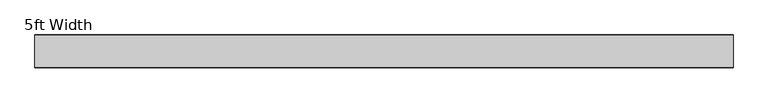
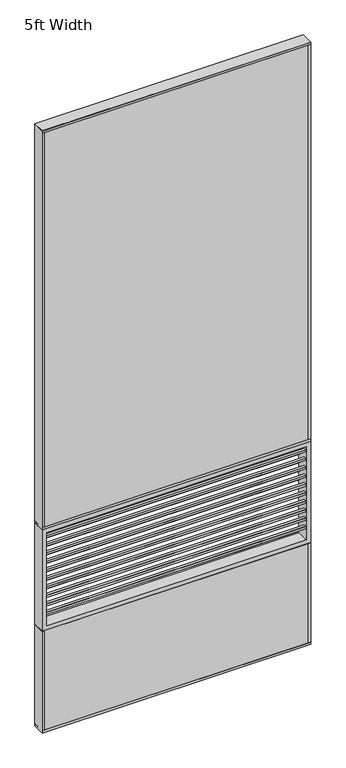
"""IFC4 building model written with IfcOpenShell, lengths in millimetres: plate geometry, 5ft Width."""

from ifc_helpers import new_model, si_unit, frame, origin, origin_with_axes, place, context, project, spatial, polyline, outline, extrude, source, transform, mapped, element, save


def plate_5ft_width_586c6ecd(model_context):
    return source(origin(), model_context, "Body", "SweptSolid", [
        extrude(outline(polyline([(32.925, 698.8386667), (30.925, 698.8386667), (-30.925, 760.6886667), (-30.925, 751.8945411), (-32.925, 751.8945411), (-32.925, 765.8945411), (-18.925, 765.8945411), (-18.925, 763.8945411), (-31.3024473, 763.8945411), (30.9282899, 701.6638039), (30.9282899, 719.8386667), (32.925, 719.8386667), (32.925, 698.8386667)])), frame((-736.6, 0.0, 0.0), z_axis=(1.0, 0.0, 0.0), x_axis=(0.0, 1.0, 0.0)), (0.0, 0.0, 1.0), 1473.2),
        extrude(outline(polyline([(32.925, 749.9773333), (30.925, 749.9773333), (-30.925, 811.8273333), (-30.925, 803.0332078), (-32.925, 803.0332078), (-32.925, 817.0332078), (-18.925, 817.0332078), (-18.925, 815.0332078), (-31.3024473, 815.0332078), (30.9282899, 752.8024706), (30.9282899, 770.9773333), (32.925, 770.9773333), (32.925, 749.9773333)])), frame((-736.6, 0.0, 0.0), z_axis=(1.0, 0.0, 0.0), x_axis=(0.0, 1.0, 0.0)), (0.0, 0.0, 1.0), 1473.2),
        extrude(outline(polyline([(762.0, 34.925), (762.0, -34.925), (-762.0, -34.925), (-762.0, 34.925), (762.0, 34.925)])), frame((0.0, 0.0, 1219.2), z_axis=(0.0, 0.0, 1.0), x_axis=(1.0, 0.0, 0.0)), (0.0, 0.0, 1.0), 2393.95),
        extrude(outline(polyline([(762.0, 34.925), (762.0, -34.925), (-762.0, -34.925), (-762.0, 34.925), (762.0, 34.925)])), origin_with_axes(), (0.0, 0.0, 1.0), 609.6),
        extrude(outline(polyline([(32.925, 801.116), (30.925, 801.116), (-30.925, 862.966), (-30.925, 854.1718744), (-32.925, 854.1718744), (-32.925, 868.1718744), (-18.925, 868.1718744), (-18.925, 866.1718744), (-31.3024473, 866.1718744), (30.9282899, 803.9411372), (30.9282899, 822.116), (32.925, 822.116), (32.925, 801.116)])), frame((-736.6, 0.0, 0.0), z_axis=(1.0, 0.0, 0.0), x_axis=(0.0, 1.0, 0.0)), (0.0, 0.0, 1.0), 1473.2),
        extrude(outline(polyline([(32.925, 852.2546667), (30.925, 852.2546667), (-30.925, 914.1046667), (-30.925, 905.3105411), (-32.925, 905.3105411), (-32.925, 919.3105411), (-18.925, 919.3105411), (-18.925, 917.3105411), (-31.3024473, 917.3105411), (30.9282899, 855.0798039), (30.9282899, 873.2546667), (32.925, 873.2546667), (32.925, 852.2546667)])), frame((-736.6, 0.0, 0.0), z_axis=(1.0, 0.0, 0.0), x_axis=(0.0, 1.0, 0.0)), (0.0, 0.0, 1.0), 1473.2),
        extrude(outline(polyline([(32.925, 903.3933333), (30.925, 903.3933333), (-30.925, 965.2433333), (-30.925, 956.4492078), (-32.925, 956.4492078), (-32.925, 970.4492078), (-18.925, 970.4492078), (-18.925, 968.4492078), (-31.3024473, 968.4492078), (30.9282899, 906.2184706), (30.9282899, 924.3933333), (32.925, 924.3933333), (32.925, 903.3933333)])), frame((-736.6, 0.0, 0.0), z_axis=(1.0, 0.0, 0.0), x_axis=(0.0, 1.0, 0.0)), (0.0, 0.0, 1.0), 1473.2),
        extrude(outline(polyline([(32.925, 954.532), (30.925, 954.532), (-30.925, 1016.382), (-30.925, 1007.5878744), (-32.925, 1007.5878744), (-32.925, 1021.5878744), (-18.925, 1021.5878744), (-18.925, 1019.5878744), (-31.3024473, 1019.5878744), (30.9282899, 957.3571372), (30.9282899, 975.532), (32.925, 975.532), (32.925, 954.532)])), frame((-736.6, 0.0, 0.0), z_axis=(1.0, 0.0, 0.0), x_axis=(0.0, 1.0, 0.0)), (0.0, 0.0, 1.0), 1473.2),
        extrude(outline(polyline([(32.925, 1005.6706667), (30.925, 1005.6706667), (-30.925, 1067.5206667), (-30.925, 1058.7265411), (-32.925, 1058.7265411), (-32.925, 1072.7265411), (-18.925, 1072.7265411), (-18.925, 1070.7265411), (-31.3024473, 1070.7265411), (30.9282899, 1008.4958039), (30.9282899, 1026.6706667), (32.925, 1026.6706667), (32.925, 1005.6706667)])), frame((-736.6, 0.0, 0.0), z_axis=(1.0, 0.0, 0.0), x_axis=(0.0, 1.0, 0.0)), (0.0, 0.0, 1.0), 1473.2),
        extrude(outline(polyline([(32.925, 1056.8093333), (30.925, 1056.8093333), (-30.925, 1118.6593333), (-30.925, 1109.8652078), (-32.925, 1109.8652078), (-32.925, 1123.8652078), (-18.925, 1123.8652078), (-18.925, 1121.8652078), (-31.3024473, 1121.8652078), (30.9282899, 1059.6344706), (30.9282899, 1077.8093333), (32.925, 1077.8093333), (32.925, 1056.8093333)])), frame((-736.6, 0.0, 0.0), z_axis=(1.0, 0.0, 0.0), x_axis=(0.0, 1.0, 0.0)), (0.0, 0.0, 1.0), 1473.2),
        extrude(outline(polyline([(32.925, 647.7), (30.925, 647.7), (-30.925, 709.55), (-30.925, 700.7558744), (-32.925, 700.7558744), (-32.925, 714.7558744), (-18.925, 714.7558744), (-18.925, 712.7558744), (-31.3024473, 712.7558744), (30.9282899, 650.5251372), (30.9282899, 668.7), (32.925, 668.7), (32.925, 647.7)])), frame((-736.6, 0.0, 0.0), z_axis=(1.0, 0.0, 0.0), x_axis=(0.0, 1.0, 0.0)), (0.0, 0.0, 1.0), 1473.2),
        extrude(outline(polyline([(32.925, 1107.948), (30.925, 1107.948), (-30.925, 1169.798), (-30.925, 1161.0038744), (-32.925, 1161.0038744), (-32.925, 1175.0038744), (-18.925, 1175.0038744), (-18.925, 1173.0038744), (-31.3024473, 1173.0038744), (30.9282899, 1110.7731372), (30.9282899, 1128.948), (32.925, 1128.948), (32.925, 1107.948)])), frame((-736.6, 0.0, 0.0), z_axis=(1.0, 0.0, 0.0), x_axis=(0.0, 1.0, 0.0)), (0.0, 0.0, 1.0), 1473.2),
        extrude(outline(polyline([(1219.2, -762.0), (609.6, -762.0), (609.6, 762.0), (1219.2, 762.0), (1219.2, -762.0)]), holes=[polyline([(1193.8, 736.6), (635.0, 736.6), (635.0, -736.6), (1193.8, -736.6), (1193.8, 736.6)])]), frame((0.0, -34.925, 0.0), z_axis=(0.0, 1.0, 0.0), x_axis=(0.0, 0.0, 1.0)), (0.0, 0.0, 1.0), 69.85),
        extrude(outline(polyline([(762.0, 35.71875), (762.0, -35.71875), (-762.0, -35.71875), (-762.0, 35.71875), (762.0, 35.71875)])), origin_with_axes(), (0.0, 0.0, 1.0), 12.7),
        extrude(outline(polyline([(749.3, 35.71875), (762.0, 35.71875), (762.0, -35.71875), (749.3, -35.71875), (749.3, 35.71875)])), origin_with_axes(), (0.0, 0.0, 1.0), 609.6),
        extrude(outline(polyline([(-749.3, 35.71875), (-749.3, -35.71875), (-762.0, -35.71875), (-762.0, 35.71875), (-749.3, 35.71875)])), origin_with_axes(), (0.0, 0.0, 1.0), 609.6),
        extrude(outline(polyline([(762.0, 35.71875), (762.0, -35.71875), (-762.0, -35.71875), (-762.0, 35.71875), (762.0, 35.71875)])), frame((0.0, 0.0, 1219.2), z_axis=(0.0, 0.0, 1.0), x_axis=(1.0, 0.0, 0.0)), (0.0, 0.0, 1.0), 12.7),
        extrude(outline(polyline([(762.0, 35.71875), (762.0, -35.71875), (-762.0, -35.71875), (-762.0, 35.71875), (762.0, 35.71875)])), frame((0.0, 0.0, 3600.45), z_axis=(0.0, 0.0, 1.0), x_axis=(1.0, 0.0, 0.0)), (0.0, 0.0, 1.0), 12.7),
        extrude(outline(polyline([(762.0, 35.71875), (762.0, -35.71875), (749.3, -35.71875), (749.3, 35.71875), (762.0, 35.71875)])), frame((0.0, 0.0, 1219.2), z_axis=(0.0, 0.0, 1.0), x_axis=(1.0, 0.0, 0.0)), (0.0, 0.0, 1.0), 2393.95),
        extrude(outline(polyline([(-749.3, 35.71875), (-749.3, -35.71875), (-762.0, -35.71875), (-762.0, 35.71875), (-749.3, 35.71875)])), frame((0.0, 0.0, 1219.2), z_axis=(0.0, 0.0, 1.0), x_axis=(1.0, 0.0, 0.0)), (0.0, 0.0, 1.0), 2393.95),
    ])


if __name__ == "__main__":
    model = new_model("IFC4")
    model_context = context("Model", 3, world=origin())
    ifc_project = project(units=[si_unit("LENGTHUNIT", "METRE", prefix="MILLI")], contexts=[model_context])
    site = spatial("IfcSite", under=ifc_project)
    building = spatial("IfcBuilding", under=site)
    placement = place(None, origin())
    plate_5ft_width_shape = plate_5ft_width_586c6ecd(model_context)
    element("IfcPlate", 1, ObjectType="5ft Width", at=placement, inside=building, context=model_context, shape_type="MappedRepresentation", body=[
        mapped(plate_5ft_width_shape, transform((0.0, 0.0, 0.0), x_axis=(1.0, 0.0, 0.0), y_axis=(0.0, 1.0, 0.0), z_axis=(0.0, 0.0, 1.0))),
    ])
    save(model, "model.ifc")
